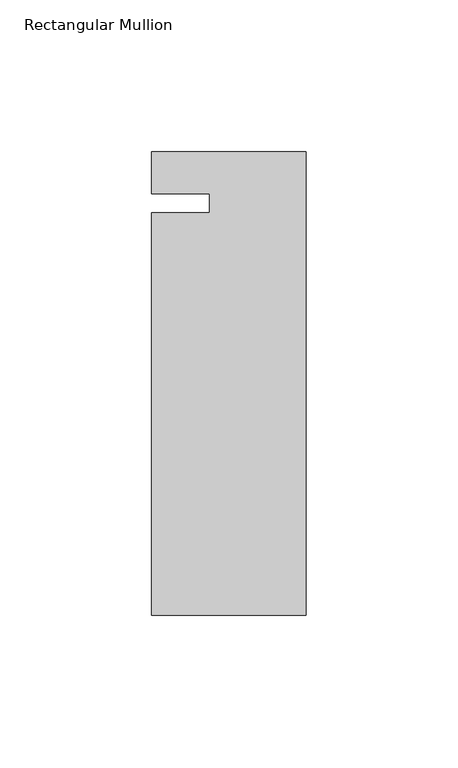
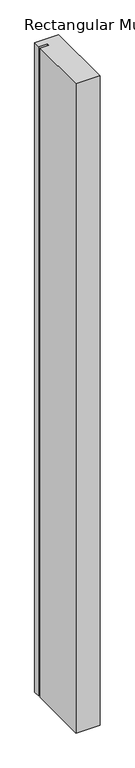
"""IFC4 building model written with IfcOpenShell, lengths in millimetres: member geometry, Rectangular Mullion."""

import ifcopenshell
import ifcopenshell.guid

model = None  # the IFC model being written
_history = None  # IfcOwnerHistory: only IFC2X3 demands one
_inside = {}  # id of a spatial element -> (the spatial element, [elements in it])
_under = {}  # id of a project, library or spatial element -> (it, [spatial elements below it])
_declared = {}  # id of a project -> (the project, [libraries it declares])
_typed = {}  # id of a type object -> (the type object, [elements of that type])
_made_of = {}  # id of a material, layer set ... -> (it, [elements and type objects made of it])


def new_model(schema):
    """Start an empty IFC model of exactly this schema.

    Asked for "IFC4X3", IfcOpenShell would pick the latest addendum, in which some entities
    have other attributes; the version numbers below select the first issue.
    IFC2X3 requires an IfcOwnerHistory on every rooted entity: one is made here for all.
    """
    global model, _history
    if schema == "IFC4X3":
        model = ifcopenshell.file(schema_version=(4, 3, 0, 0))
    else:
        model = ifcopenshell.file(schema=schema)
    _inside.clear()
    _under.clear()
    _declared.clear()
    _typed.clear()
    _made_of.clear()
    _history = None
    if model.schema == "IFC2X3":
        org = make("IfcOrganization", Name="unknown")
        user = make(
            "IfcPersonAndOrganization",
            ThePerson=make("IfcPerson", FamilyName="unknown"),
            TheOrganization=org,
        )
        app = make(
            "IfcApplication",
            ApplicationDeveloper=org,
            Version="unknown",
            ApplicationFullName="unknown",
            ApplicationIdentifier="unknown",
        )
        _history = make(
            "IfcOwnerHistory",
            OwningUser=user,
            OwningApplication=app,
            ChangeAction="ADDED",
            CreationDate=0,
        )
    return model


def make(cls, **values):
    """One entity of the class cls with the attributes given. An attribute that is None is left unset."""
    return model.create_entity(
        cls, **{name: value for name, value in values.items() if value is not None}
    )


def rooted(cls, **values):
    """An entity with a GlobalId (a new one), such as an element, a storey or a relation."""
    return make(cls, GlobalId=ifcopenshell.guid.new(), OwnerHistory=_history, **values)


def si_unit(unit_type, name, prefix=None):
    """IfcSIUnit, for example si_unit("LENGTHUNIT", "METRE", prefix="MILLI")."""
    return make("IfcSIUnit", UnitType=unit_type, Prefix=prefix, Name=name)


def assignment(units):
    """IfcUnitAssignment: the units of a project."""
    return None if units is None else make("IfcUnitAssignment", Units=units)


def point(xyz):
    """IfcCartesianPoint."""
    return None if xyz is None else make("IfcCartesianPoint", Coordinates=xyz)


def direction(xyz):
    """IfcDirection."""
    return None if xyz is None else make("IfcDirection", DirectionRatios=xyz)


def frame(location, z_axis=None, x_axis=None):
    """IfcAxis2Placement3D, a coordinate frame: its origin and axes. An axis left out is left unset."""
    return make(
        "IfcAxis2Placement3D",
        Location=point(location),
        Axis=direction(z_axis),
        RefDirection=direction(x_axis),
    )


def origin():
    """The frame at (0, 0, 0) with its axes left unset."""
    return frame((0.0, 0.0, 0.0))


def place(relative_to, where):
    """IfcLocalPlacement: puts the frame where relative to a parent placement (None: the world)."""
    return make(
        "IfcLocalPlacement", PlacementRelTo=relative_to, RelativePlacement=where
    )


def context(
    kind, dimensions, precision=None, world=None, true_north=None, identifier=None
):
    """IfcGeometricRepresentationContext, for example the 3D "Model" context."""
    return make(
        "IfcGeometricRepresentationContext",
        ContextIdentifier=identifier,
        ContextType=kind,
        CoordinateSpaceDimension=dimensions,
        Precision=precision,
        WorldCoordinateSystem=world,
        TrueNorth=true_north,
    )


def project(units=None, contexts=None):
    """IfcProject with its units and contexts."""
    return rooted(
        "IfcProject",
        Name="project",
        RepresentationContexts=contexts,
        UnitsInContext=assignment(units),
    )


def spatial(cls, under=None, at=None, **own):
    """A site, building, storey or space (cls), placed at a placement, below another one or the project."""
    s = rooted(cls, ObjectPlacement=at, **own)
    if under is not None:
        _under.setdefault(under.id(), (under, []))[1].append(s)
    return s


def polyline(points):
    """IfcPolyline through the points."""
    return make("IfcPolyline", Points=[point(p) for p in points])


def outline(outer, holes=None, kind="AREA"):
    """IfcArbitraryClosedProfileDef: a profile drawn as a closed curve; with holes, ...WithVoids."""
    if holes is None:
        return make("IfcArbitraryClosedProfileDef", ProfileType=kind, OuterCurve=outer)
    return make(
        "IfcArbitraryProfileDefWithVoids",
        ProfileType=kind,
        OuterCurve=outer,
        InnerCurves=holes,
    )


def extrude(swept, where, along, depth):
    """IfcExtrudedAreaSolid: the profile swept, set in the frame where, extruded along a direction by depth."""
    return make(
        "IfcExtrudedAreaSolid",
        SweptArea=swept,
        Position=where,
        ExtrudedDirection=direction(along),
        Depth=depth,
    )


def shape(context_of_items, identifier, shape_type, items):
    """IfcShapeRepresentation: the items that make up one representation, for example the "Body"."""
    return make(
        "IfcShapeRepresentation",
        ContextOfItems=context_of_items,
        RepresentationIdentifier=identifier,
        RepresentationType=shape_type,
        Items=items,
    )


def source(mapping_origin, context_of_items, identifier, shape_type, items):
    """IfcRepresentationMap: a shape defined once, which mapped items show again and again."""
    return make(
        "IfcRepresentationMap",
        MappingOrigin=mapping_origin,
        MappedRepresentation=shape(context_of_items, identifier, shape_type, items),
    )


def transform(
    local_origin,
    x_axis=None,
    y_axis=None,
    z_axis=None,
    scale=None,
    scale2=None,
    scale3=None,
    uniform=True,
):
    """IfcCartesianTransformationOperator3D, or its non-uniform kind. x_axis, y_axis, z_axis: its Axis1, 2, 3."""
    if uniform:
        return make(
            "IfcCartesianTransformationOperator3D",
            Axis1=direction(x_axis),
            Axis2=direction(y_axis),
            LocalOrigin=point(local_origin),
            Scale=scale,
            Axis3=direction(z_axis),
        )
    return make(
        "IfcCartesianTransformationOperator3DnonUniform",
        Axis1=direction(x_axis),
        Axis2=direction(y_axis),
        LocalOrigin=point(local_origin),
        Scale=scale,
        Axis3=direction(z_axis),
        Scale2=scale2,
        Scale3=scale3,
    )


def mapped(mapping_source, mapping_target):
    """IfcMappedItem: shows the shape of a source again, moved by a transform."""
    return make(
        "IfcMappedItem", MappingSource=mapping_source, MappingTarget=mapping_target
    )


def made_of(thing, what):
    """Note that an element or type object is made of a material, layer set ...; save() writes the relation."""
    if what is not None:
        _made_of.setdefault(what.id(), (what, []))[1].append(thing)
    return thing


def element(
    cls,
    number,
    at=None,
    inside=None,
    cuts=None,
    type_object=None,
    material=None,
    context=None,
    identifier="Body",
    shape_type=None,
    held_by="IfcProductDefinitionShape",
    body=None,
    shapes=None,
    **own,
):
    """One element of the class cls, such as IfcWall. Its Tag is "e" and its number.

    at: its placement. inside: the storey or other place that contains it. cuts: it is an
    opening in that element (IfcRelVoidsElement). A single representation is given by context,
    identifier, shape_type and body (its items); several are given by shapes. held_by: the class
    of the entity that holds the representations. save() writes the other relations.
    """
    e = rooted(cls, Tag="e%d" % number, ObjectPlacement=at, **own)
    if body is not None:
        shapes = [shape(context, identifier, shape_type, body)]
    if shapes is not None:
        e.Representation = make(held_by, Representations=shapes)
    if inside is not None:
        _inside.setdefault(inside.id(), (inside, []))[1].append(e)
    if cuts is not None:
        rooted(
            "IfcRelVoidsElement", RelatingBuildingElement=cuts, RelatedOpeningElement=e
        )
    if type_object is not None:
        _typed.setdefault(type_object.id(), (type_object, []))[1].append(e)
    return made_of(e, material)


def aggregate(whole, parts):
    """IfcRelAggregates: a whole, such as a stair, and the parts it consists of."""
    return rooted("IfcRelAggregates", RelatingObject=whole, RelatedObjects=parts)


def save(model, path):
    """Write the relations noted so far, then the file.

    IfcRelAggregates (storeys below a building ...), IfcRelContainedInSpatialStructure (elements
    in a storey), IfcRelDefinesByType, IfcRelAssociatesMaterial and IfcRelDeclares: one each for
    every whole, place, type object, material and project.
    """
    for whole, parts in _under.values():
        aggregate(whole, parts)
    for where, things in _inside.values():
        rooted(
            "IfcRelContainedInSpatialStructure",
            RelatedElements=things,
            RelatingStructure=where,
        )
    for kind, things in _typed.values():
        rooted("IfcRelDefinesByType", RelatedObjects=things, RelatingType=kind)
    for what, things in _made_of.values():
        rooted("IfcRelAssociatesMaterial", RelatedObjects=things, RelatingMaterial=what)
    for by, libraries in _declared.values():
        rooted("IfcRelDeclares", RelatingContext=by, RelatedDefinitions=libraries)
    model.write(path)


def rectangular_mullion_b14916c8(model_context):
    return source(origin(), model_context, "Body", "SweptSolid", [
        extrude(outline(polyline([(0.0, 13.672693), (0.0, -138.727307), (-50.8, -138.727307), (-50.8, -6.35), (-31.75, -6.35), (-31.75, 0.0), (-50.8, 0.0), (-50.8, 13.672693), (0.0, 13.672693)])), frame((0.0, 0.0, -1460.5), z_axis=(0.0, 0.0, 1.0), x_axis=(1.0, 0.0, 0.0)), (0.0, 0.0, 1.0), 1460.5),
    ])


if __name__ == "__main__":
    model = new_model("IFC4")
    model_context = context("Model", 3, world=origin())
    ifc_project = project(units=[si_unit("LENGTHUNIT", "METRE", prefix="MILLI")], contexts=[model_context])
    site = spatial("IfcSite", under=ifc_project)
    building = spatial("IfcBuilding", under=site)
    placement = place(None, origin())
    rectangular_mullion_shape = rectangular_mullion_b14916c8(model_context)
    element("IfcMember", 1, ObjectType="Rectangular Mullion", at=placement, inside=building, context=model_context, shape_type="MappedRepresentation", body=[
        mapped(rectangular_mullion_shape, transform((0.0, 0.0, 0.0), x_axis=(1.0, 0.0, 0.0), y_axis=(0.0, 1.0, 0.0), z_axis=(0.0, 0.0, 1.0))),
    ])
    save(model, "model.ifc")
